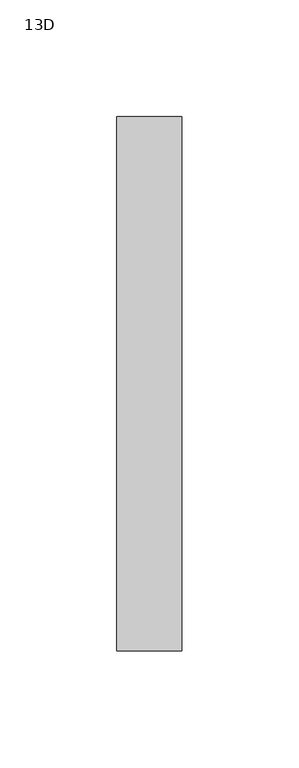
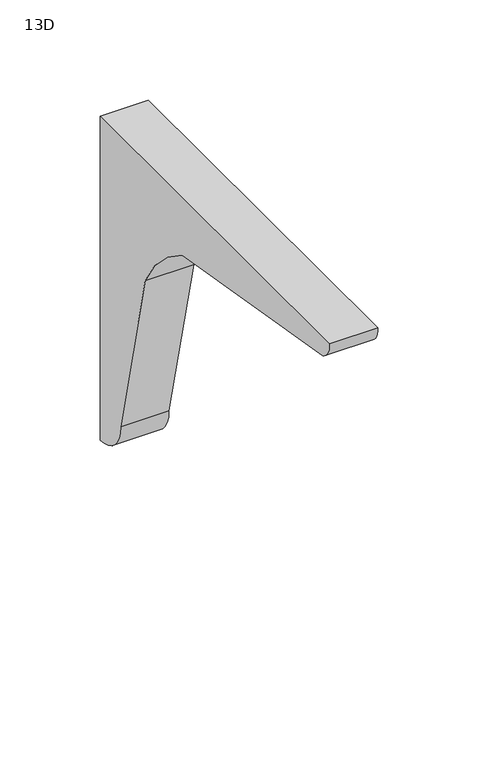
"""IFC4 building model written with IfcOpenShell, lengths in millimetres: furniture geometry, 13D."""

from ifc_helpers import new_model, si_unit, point, frame, frame_2d, origin, place, context, project, spatial, polyline, circle_curve, trimmed, segment, composite_curve, outline, extrude, source, transform, mapped, element, save


def furniture_13d_d639b49c(model_context):
    return source(origin(), model_context, "Body", "SweptSolid", [
        extrude(outline(composite_curve([segment(trimmed(circle_curve(frame_2d((-143.9606717, 598.8605632)), 86.0560025), [point((-66.8363066, 637.0373609))], [point((-103.3820864, 674.7487309))], True, "CARTESIAN"), True, "CONTINUOUS"), segment(polyline([(-103.3820864, 674.7487309), (-243.6532059, 698.8360324)]), True, "CONTINUOUS"), segment(trimmed(circle_curve(frame_2d((-239.3486305, 709.0106611)), 11.0477345), [point((-243.6532059, 698.8360324))], [point((-250.35256, 709.9935))], False, "CARTESIAN"), True, "CONTINUOUS"), segment(polyline([(-250.35256, 709.9935), (-21.75256, 709.9935), (-21.75256, 512.746625)]), True, "CONTINUOUS"), segment(trimmed(circle_curve(frame_2d((-21.75256, 533.1479665)), 20.4013415), [point((-21.75256, 512.746625))], [point((-42.1539008, 533.1425548))], False, "CARTESIAN"), True, "CONTINUOUS"), segment(polyline([(-42.1539008, 533.1425548), (-66.8363066, 637.0373609)]), True, "CONTINUOUS")], self_intersect=False)), frame((4.8493945, 0.0, 0.0), z_axis=(1.0, 0.0, 0.0), x_axis=(0.0, 1.0, 0.0)), (0.0, 0.0, 1.0), 27.78125),
    ])


if __name__ == "__main__":
    model = new_model("IFC4")
    model_context = context("Model", 3, world=origin())
    ifc_project = project(units=[si_unit("LENGTHUNIT", "METRE", prefix="MILLI")], contexts=[model_context])
    site = spatial("IfcSite", under=ifc_project)
    building = spatial("IfcBuilding", under=site)
    placement = place(None, origin())
    furniture_13d_shape = furniture_13d_d639b49c(model_context)
    element("IfcFurniture", 1, ObjectType="13D", at=placement, inside=building, context=model_context, shape_type="MappedRepresentation", body=[
        mapped(furniture_13d_shape, transform((0.0, 0.0, 0.0), x_axis=(1.0, 0.0, 0.0), y_axis=(0.0, 1.0, 0.0), z_axis=(0.0, 0.0, 1.0))),
    ])
    save(model, "model.ifc")
